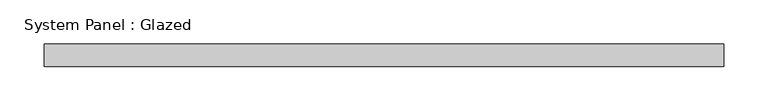
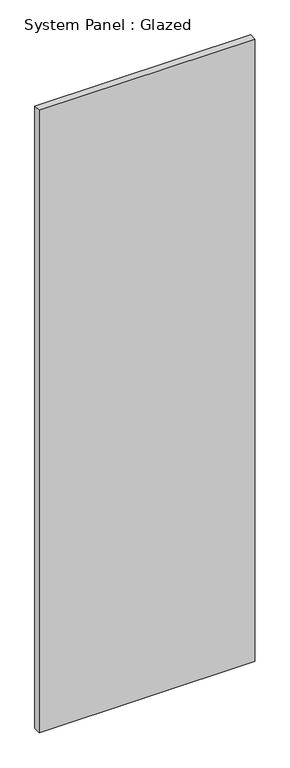
"""IFC4 building model written with IfcOpenShell, lengths in millimetres: plate geometry, System Panel : Glazed."""

from ifc_helpers import new_model, si_unit, origin, origin_with_axes, place, context, project, spatial, polyline, outline, extrude, source, transform, mapped, element, save


def system_panel_glazed_9384f7c4(model_context):
    return source(origin(), model_context, "Body", "SweptSolid", [
        extrude(outline(polyline([(384.175, 19.05), (-384.175, 19.05), (-384.175, 44.45), (384.175, 44.45), (384.175, 19.05)])), origin_with_axes(), (0.0, 0.0, 1.0), 2343.15),
    ])


if __name__ == "__main__":
    model = new_model("IFC4")
    model_context = context("Model", 3, world=origin())
    ifc_project = project(units=[si_unit("LENGTHUNIT", "METRE", prefix="MILLI")], contexts=[model_context])
    site = spatial("IfcSite", under=ifc_project)
    building = spatial("IfcBuilding", under=site)
    placement = place(None, origin())
    system_panel_glazed_shape = system_panel_glazed_9384f7c4(model_context)
    element("IfcPlate", 1, ObjectType="System Panel : Glazed", at=placement, inside=building, context=model_context, shape_type="MappedRepresentation", body=[
        mapped(system_panel_glazed_shape, transform((0.0, 0.0, 0.0), x_axis=(1.0, 0.0, 0.0), y_axis=(0.0, 1.0, 0.0), z_axis=(0.0, 0.0, 1.0))),
    ])
    save(model, "model.ifc")
